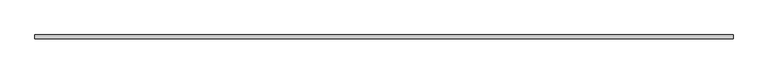
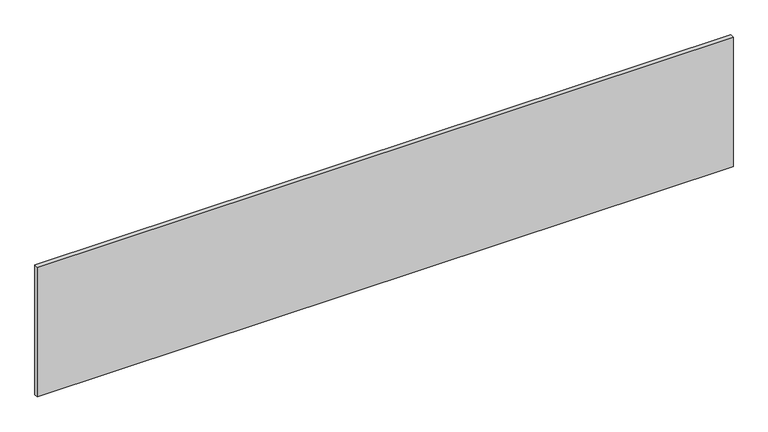
"""IFC4 building model written with IfcOpenShell, lengths in millimetres: plate geometry."""

from ifc_helpers import new_model, si_unit, origin, origin_with_axes, place, context, project, spatial, polyline, outline, extrude, source, transform, mapped, element, save


def plate_6aed7e25(model_context):
    return source(origin(), model_context, "Body", "SweptSolid", [
        extrude(outline(polyline([(1837.5, 20.0), (-1837.5, 20.0), (-1837.5, 40.0), (1837.5, 40.0), (1837.5, 20.0)])), origin_with_axes(), (0.0, 0.0, 1.0), 725.0),
    ])


if __name__ == "__main__":
    model = new_model("IFC4")
    model_context = context("Model", 3, world=origin())
    ifc_project = project(units=[si_unit("LENGTHUNIT", "METRE", prefix="MILLI")], contexts=[model_context])
    site = spatial("IfcSite", under=ifc_project)
    building = spatial("IfcBuilding", under=site)
    placement = place(None, origin())
    plate_shape = plate_6aed7e25(model_context)
    element("IfcPlate", 1, at=placement, inside=building, context=model_context, shape_type="MappedRepresentation", body=[
        mapped(plate_shape, transform((0.0, 0.0, 0.0), x_axis=(1.0, 0.0, 0.0), y_axis=(0.0, 1.0, 0.0), z_axis=(0.0, 0.0, 1.0))),
    ])
    save(model, "model.ifc")
